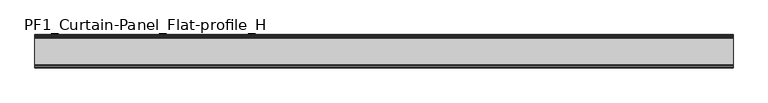
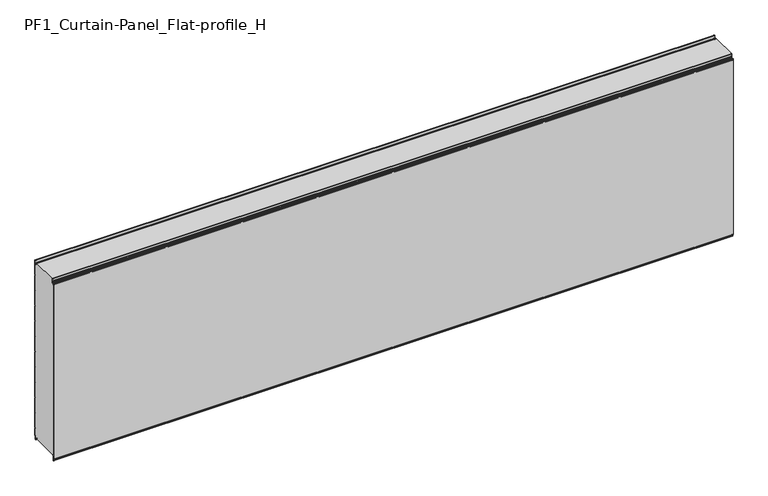
"""IFC4 building model written with IfcOpenShell, lengths in millimetres: plate geometry, PF1_Curtain-Panel_Flat-profile_H."""

from ifc_helpers import new_model, si_unit, point, frame, frame_2d, origin, place, context, project, spatial, polyline, circle_curve, trimmed, segment, composite_curve, outline, extrude, source, transform, mapped, element, save


def pf1_curtain_panel_flat_profile_h_bcc82add(model_context):
    return source(origin(), model_context, "Body", "SweptSolid", [
        extrude(outline(composite_curve([segment(polyline([(-15.878557, 0.0), (-20.0, 0.0), (-20.0, 0.8), (-15.878557, 0.8)]), True, "CONTINUOUS"), segment(trimmed(circle_curve(frame_2d((-15.878557, -2.0)), 2.8), [point((-15.878557, 0.8))], [point((-13.1503208, -1.370137))], False, "CARTESIAN"), True, "CONTINUOUS"), segment(polyline([(-13.1503208, -1.370137), (-11.728236, -7.529863)]), True, "CONTINUOUS"), segment(trimmed(circle_curve(frame_2d((-9.0, -6.9)), 2.8), [point((-11.728236, -7.529863))], [point((-6.2, -6.9))], True, "CARTESIAN"), True, "CONTINUOUS"), segment(polyline([(-6.2, -6.9), (-6.2, 8.6)]), True, "CONTINUOUS"), segment(trimmed(circle_curve(frame_2d((-3.4, 8.6)), 2.8), [point((-6.2, 8.6))], [point((-3.4, 11.4))], False, "CARTESIAN"), True, "CONTINUOUS"), segment(polyline([(-3.4, 11.4), (-2.0, 11.4)]), True, "CONTINUOUS"), segment(trimmed(circle_curve(frame_2d((-2.0, 12.6)), 1.2), [point((-2.0, 11.4))], [point((-0.8, 12.6))], True, "CARTESIAN"), True, "CONTINUOUS"), segment(polyline([(-0.8, 12.6), (-0.8, 57.6856412), (-2.482606, 60.6), (-0.8, 63.5143588), (-0.8, 157.6856412), (-2.482606, 160.6), (-0.8, 163.5143588), (-0.8, 257.6856412), (-2.482606, 260.6), (-0.8, 263.5143588), (-0.8, 357.6856412), (-2.482606, 360.6), (-0.8, 363.5143588), (-0.8, 457.6856412), (-2.482606, 460.6), (-0.8, 463.5143588), (-0.8, 557.6856412), (-2.482606, 560.6), (-0.8, 563.5143588), (-0.8, 657.6856412), (-2.482606, 660.6), (-0.8, 663.5143588), (-0.8, 757.6856412), (-2.482606, 760.6), (-0.8, 763.5143588), (-0.8, 857.6856412), (-2.482606, 860.6), (-0.8, 863.5143588), (-0.8, 957.6856412), (-2.482606, 960.6), (-0.8, 963.5143588), (-0.8, 1057.6856412), (-2.482606, 1060.6), (-0.8, 1063.5143588), (-0.8, 1158.268846)]), True, "CONTINUOUS"), segment(trimmed(circle_curve(frame_2d((-2.5, 1158.268846)), 1.7), [point((-0.8, 1158.268846))], [point((-4.2, 1158.268846))], True, "CARTESIAN"), True, "CONTINUOUS"), segment(polyline([(-4.2, 1158.268846), (-4.2, 1141.268846)]), True, "CONTINUOUS"), segment(trimmed(circle_curve(frame_2d((-9.0, 1141.268846)), 4.8), [point((-4.2, 1141.268846))], [point((-13.7270771, 1140.4353344))], False, "CARTESIAN"), True, "CONTINUOUS"), segment(polyline([(-13.7270771, 1140.4353344), (-14.8636953, 1146.8814129)]), True, "CONTINUOUS"), segment(trimmed(circle_curve(frame_2d((-16.6363492, 1146.568846)), 1.8), [point((-14.8636953, 1146.8814129))], [point((-16.6363492, 1148.368846))], True, "CARTESIAN"), True, "CONTINUOUS"), segment(polyline([(-16.6363492, 1148.368846), (-20.0, 1148.368846), (-20.0, 1149.168846), (-16.6363492, 1149.168846)]), True, "CONTINUOUS"), segment(trimmed(circle_curve(frame_2d((-16.6363492, 1146.568846)), 2.6), [point((-16.6363492, 1149.168846))], [point((-14.0758491, 1147.0203315))], False, "CARTESIAN"), True, "CONTINUOUS"), segment(polyline([(-14.0758491, 1147.0203315), (-12.939231, 1140.574253)]), True, "CONTINUOUS"), segment(trimmed(circle_curve(frame_2d((-9.0, 1141.268846)), 4.0), [point((-12.939231, 1140.574253))], [point((-5.0, 1141.268846))], True, "CARTESIAN"), True, "CONTINUOUS"), segment(polyline([(-5.0, 1141.268846), (-5.0, 1158.268846)]), True, "CONTINUOUS"), segment(trimmed(circle_curve(frame_2d((-2.5, 1158.268846)), 2.5), [point((-5.0, 1158.268846))], [point((0.0, 1158.268846))], False, "CARTESIAN"), True, "CONTINUOUS"), segment(polyline([(0.0, 1158.268846), (0.0, 1063.2999995), (-1.5588455, 1060.6), (0.0, 1057.9000005), (0.0, 963.2999995), (-1.5588455, 960.6), (0.0, 957.9000005), (0.0, 863.2999995), (-1.5588455, 860.6), (0.0, 857.9000005), (0.0, 763.2999995), (-1.5588455, 760.6), (0.0, 757.9000005), (0.0, 663.2999995), (-1.5588455, 660.6), (0.0, 657.9000005), (0.0, 563.2999995), (-1.5588455, 560.6), (0.0, 557.9000005), (0.0, 463.2999995), (-1.5588455, 460.6), (0.0, 457.9000005), (0.0, 363.2999995), (-1.5588455, 360.6), (0.0, 357.9000005), (0.0, 263.2999995), (-1.5588455, 260.6), (0.0, 257.9000005), (0.0, 163.2999995), (-1.5588455, 160.6), (0.0, 157.9000005), (0.0, 63.2999995), (-1.5588455, 60.6), (0.0, 57.9000005), (0.0, 12.6)]), True, "CONTINUOUS"), segment(trimmed(circle_curve(frame_2d((-2.0, 12.6)), 2.0), [point((0.0, 12.6))], [point((-2.0, 10.6))], False, "CARTESIAN"), True, "CONTINUOUS"), segment(polyline([(-2.0, 10.6), (-3.4, 10.6)]), True, "CONTINUOUS"), segment(trimmed(circle_curve(frame_2d((-3.4, 8.6)), 2.0), [point((-3.4, 10.6))], [point((-5.4, 8.6))], True, "CARTESIAN"), True, "CONTINUOUS"), segment(polyline([(-5.4, 8.6), (-5.4, -6.9)]), True, "CONTINUOUS"), segment(trimmed(circle_curve(frame_2d((-9.0, -6.9)), 3.6), [point((-5.4, -6.9))], [point((-12.5077322, -7.7098239))], False, "CARTESIAN"), True, "CONTINUOUS"), segment(polyline([(-12.5077322, -7.7098239), (-13.929817, -1.5500979)]), True, "CONTINUOUS"), segment(trimmed(circle_curve(frame_2d((-15.878557, -2.0)), 2.0), [point((-13.929817, -1.5500979))], [point((-15.878557, 0.0))], True, "CARTESIAN"), True, "CONTINUOUS")], self_intersect=False)), frame((-2100.0, 0.0, 0.0), z_axis=(1.0, 0.0, 0.0), x_axis=(0.0, 1.0, 0.0)), (0.0, 0.0, 1.0), 4200.0),
        extrude(outline(composite_curve([segment(polyline([(-190.0, 0.0), (-193.5, 0.0)]), True, "CONTINUOUS"), segment(trimmed(circle_curve(frame_2d((-193.5, -2.0)), 2.0), [point((-193.5, 0.0))], [point((-195.5, -2.0))], True, "CARTESIAN"), True, "CONTINUOUS"), segment(polyline([(-195.5, -2.0), (-195.5, -33.0)]), True, "CONTINUOUS"), segment(trimmed(circle_curve(frame_2d((-196.5, -33.0)), 1.0), [point((-195.5, -33.0))], [point((-197.5, -33.0))], False, "CARTESIAN"), True, "CONTINUOUS"), segment(polyline([(-197.5, -33.0), (-197.5, -26.9)]), True, "CONTINUOUS"), segment(trimmed(circle_curve(frame_2d((-198.4, -26.9)), 0.9), [point((-197.5, -26.9))], [point((-198.4, -26.0))], True, "CARTESIAN"), True, "CONTINUOUS"), segment(trimmed(circle_curve(frame_2d((-198.4, -24.4)), 1.6), [point((-198.4, -26.0))], [point((-200.0, -24.4))], False, "CARTESIAN"), True, "CONTINUOUS"), segment(polyline([(-200.0, -24.4), (-200.0, 1123.168846)]), True, "CONTINUOUS"), segment(trimmed(circle_curve(frame_2d((-199.0, 1123.168846)), 1.0), [point((-200.0, 1123.168846))], [point((-198.0, 1123.168846))], False, "CARTESIAN"), True, "CONTINUOUS"), segment(polyline([(-198.0, 1123.168846), (-198.0, 1117.168846)]), True, "CONTINUOUS"), segment(trimmed(circle_curve(frame_2d((-196.5, 1117.168846)), 1.5), [point((-198.0, 1117.168846))], [point((-195.0, 1117.168846))], True, "CARTESIAN"), True, "CONTINUOUS"), segment(polyline([(-195.0, 1117.168846), (-195.0, 1117.9964664)]), True, "CONTINUOUS"), segment(trimmed(circle_curve(frame_2d((-188.8276204, 1117.9964664)), 6.1723796), [point((-195.0, 1117.9964664))], [point((-188.8276204, 1124.168846))], False, "CARTESIAN"), True, "CONTINUOUS"), segment(polyline([(-188.8276204, 1124.168846), (-188.0, 1124.168846)]), True, "CONTINUOUS"), segment(trimmed(circle_curve(frame_2d((-188.0, 1125.168846)), 1.0), [point((-188.0, 1124.168846))], [point((-187.0, 1125.168846))], True, "CARTESIAN"), True, "CONTINUOUS"), segment(polyline([(-187.0, 1125.168846), (-187.0, 1131.6688472), (-185.4999999, 1133.168846), (-187.0, 1134.6688448), (-187.0, 1146.568846)]), True, "CONTINUOUS"), segment(trimmed(circle_curve(frame_2d((-184.4, 1146.568846)), 2.6), [point((-187.0, 1146.568846))], [point((-184.4, 1149.168846))], False, "CARTESIAN"), True, "CONTINUOUS"), segment(polyline([(-184.4, 1149.168846), (-183.0, 1149.168846), (-183.0, 1148.368846), (-184.4, 1148.368846)]), True, "CONTINUOUS"), segment(trimmed(circle_curve(frame_2d((-184.4, 1146.568846)), 1.8), [point((-184.4, 1148.368846))], [point((-186.2, 1146.568846))], True, "CARTESIAN"), True, "CONTINUOUS"), segment(polyline([(-186.2, 1146.568846), (-186.2, 1135.0002158), (-184.3686285, 1133.168846), (-186.2, 1131.3374762), (-186.2, 1125.168846)]), True, "CONTINUOUS"), segment(trimmed(circle_curve(frame_2d((-188.0, 1125.168846)), 1.8), [point((-186.2, 1125.168846))], [point((-188.0, 1123.368846))], False, "CARTESIAN"), True, "CONTINUOUS"), segment(polyline([(-188.0, 1123.368846), (-188.8276204, 1123.368846)]), True, "CONTINUOUS"), segment(trimmed(circle_curve(frame_2d((-188.8276204, 1117.9964664)), 5.3723796), [point((-188.8276204, 1123.368846))], [point((-194.2, 1117.9964664))], True, "CARTESIAN"), True, "CONTINUOUS"), segment(polyline([(-194.2, 1117.9964664), (-194.2, 1117.168846)]), True, "CONTINUOUS"), segment(trimmed(circle_curve(frame_2d((-196.4, 1117.168846)), 2.2), [point((-194.2, 1117.168846))], [point((-198.6, 1117.168846))], False, "CARTESIAN"), True, "CONTINUOUS"), segment(polyline([(-198.6, 1117.168846), (-198.6, 1123.0579973)]), True, "CONTINUOUS"), segment(trimmed(circle_curve(frame_2d((-198.9, 1123.0579973)), 0.3), [point((-198.6, 1123.0579973))], [point((-199.2, 1123.0579973))], True, "CARTESIAN"), True, "CONTINUOUS"), segment(polyline([(-199.2, 1123.0579973), (-199.2, -24.4)]), True, "CONTINUOUS"), segment(trimmed(circle_curve(frame_2d((-198.4, -24.4)), 0.8), [point((-199.2, -24.4))], [point((-198.4, -25.2))], True, "CARTESIAN"), True, "CONTINUOUS"), segment(trimmed(circle_curve(frame_2d((-198.6133333, -26.9)), 1.7133333), [point((-198.4, -25.2))], [point((-196.9, -26.9))], False, "CARTESIAN"), True, "CONTINUOUS"), segment(polyline([(-196.9, -26.9), (-196.9, -32.8700312)]), True, "CONTINUOUS"), segment(trimmed(circle_curve(frame_2d((-196.6, -32.8700312)), 0.3), [point((-196.9, -32.8700312))], [point((-196.3, -32.8700312))], True, "CARTESIAN"), True, "CONTINUOUS"), segment(polyline([(-196.3, -32.8700312), (-196.3, -2.0)]), True, "CONTINUOUS"), segment(trimmed(circle_curve(frame_2d((-193.5, -2.0)), 2.8), [point((-196.3, -2.0))], [point((-193.5, 0.8))], False, "CARTESIAN"), True, "CONTINUOUS"), segment(polyline([(-193.5, 0.8), (-190.0, 0.8), (-190.0, 0.0)]), True, "CONTINUOUS")], self_intersect=False)), frame((-2100.0, 0.0, 0.0), z_axis=(1.0, 0.0, 0.0), x_axis=(0.0, 1.0, 0.0)), (0.0, 0.0, 1.0), 4200.0),
        extrude(outline(composite_curve([segment(polyline([(-190.0, 0.8), (-193.5, 0.8)]), True, "CONTINUOUS"), segment(trimmed(circle_curve(frame_2d((-193.5, -2.0)), 2.8), [point((-193.5, 0.8))], [point((-196.3, -2.0))], True, "CARTESIAN"), True, "CONTINUOUS"), segment(polyline([(-196.3, -2.0), (-196.3, -32.8700312)]), True, "CONTINUOUS"), segment(trimmed(circle_curve(frame_2d((-196.6, -32.8700312)), 0.3), [point((-196.3, -32.8700312))], [point((-196.9, -32.8700312))], False, "CARTESIAN"), True, "CONTINUOUS"), segment(polyline([(-196.9, -32.8700312), (-196.9, -26.9)]), True, "CONTINUOUS"), segment(trimmed(circle_curve(frame_2d((-198.6133333, -26.9)), 1.7133333), [point((-196.9, -26.9))], [point((-198.4, -25.2))], True, "CARTESIAN"), True, "CONTINUOUS"), segment(trimmed(circle_curve(frame_2d((-198.4, -24.4)), 0.8), [point((-198.4, -25.2))], [point((-199.2, -24.4))], False, "CARTESIAN"), True, "CONTINUOUS"), segment(polyline([(-199.2, -24.4), (-199.2, 1123.0579973)]), True, "CONTINUOUS"), segment(trimmed(circle_curve(frame_2d((-198.9, 1123.0579973)), 0.3), [point((-199.2, 1123.0579973))], [point((-198.6, 1123.0579973))], False, "CARTESIAN"), True, "CONTINUOUS"), segment(polyline([(-198.6, 1123.0579973), (-198.6, 1117.168846)]), True, "CONTINUOUS"), segment(trimmed(circle_curve(frame_2d((-196.4, 1117.168846)), 2.2), [point((-198.6, 1117.168846))], [point((-194.2, 1117.168846))], True, "CARTESIAN"), True, "CONTINUOUS"), segment(polyline([(-194.2, 1117.168846), (-194.2, 1117.9964664)]), True, "CONTINUOUS"), segment(trimmed(circle_curve(frame_2d((-188.8276204, 1117.9964664)), 5.3723796), [point((-194.2, 1117.9964664))], [point((-188.8276204, 1123.368846))], False, "CARTESIAN"), True, "CONTINUOUS"), segment(polyline([(-188.8276204, 1123.368846), (-188.0, 1123.368846)]), True, "CONTINUOUS"), segment(trimmed(circle_curve(frame_2d((-188.0, 1125.168846)), 1.8), [point((-188.0, 1123.368846))], [point((-186.2, 1125.168846))], True, "CARTESIAN"), True, "CONTINUOUS"), segment(polyline([(-186.2, 1125.168846), (-186.2, 1131.3374762), (-184.3686285, 1133.168846), (-186.2, 1135.0002158), (-186.2, 1146.568846)]), True, "CONTINUOUS"), segment(trimmed(circle_curve(frame_2d((-184.4, 1146.568846)), 1.8), [point((-186.2, 1146.568846))], [point((-184.4, 1148.368846))], False, "CARTESIAN"), True, "CONTINUOUS"), segment(polyline([(-184.4, 1148.368846), (-183.0, 1148.368846), (-183.0, 1149.168846), (-20.0, 1149.168846), (-20.0, 1148.368846), (-16.6363492, 1148.368846)]), True, "CONTINUOUS"), segment(trimmed(circle_curve(frame_2d((-16.6363492, 1146.568846)), 1.8), [point((-16.6363492, 1148.368846))], [point((-14.8636953, 1146.8814129))], False, "CARTESIAN"), True, "CONTINUOUS"), segment(polyline([(-14.8636953, 1146.8814129), (-13.7270772, 1140.4353344)]), True, "CONTINUOUS"), segment(trimmed(circle_curve(frame_2d((-9.0, 1141.268846)), 4.8), [point((-13.7270772, 1140.4353344))], [point((-4.2, 1141.268846))], True, "CARTESIAN"), True, "CONTINUOUS"), segment(polyline([(-4.2, 1141.268846), (-4.2, 1158.268846)]), True, "CONTINUOUS"), segment(trimmed(circle_curve(frame_2d((-2.5, 1158.268846)), 1.7), [point((-4.2, 1158.268846))], [point((-0.8, 1158.268846))], False, "CARTESIAN"), True, "CONTINUOUS"), segment(polyline([(-0.8, 1158.268846), (-0.8, 1063.5143588), (-2.482606, 1060.6), (-0.8, 1057.6856412), (-0.8, 963.5143588), (-2.482606, 960.6), (-0.8, 957.6856412), (-0.8, 863.5143588), (-2.482606, 860.6), (-0.8, 857.6856412), (-0.8, 763.5143588), (-2.482606, 760.6), (-0.8, 757.6856412), (-0.8, 663.5143588), (-2.482606, 660.6), (-0.8, 657.6856412), (-0.8, 563.5143588), (-2.482606, 560.6), (-0.8, 557.6856412), (-0.8, 463.5143588), (-2.482606, 460.6), (-0.8, 457.6856412), (-0.8, 363.5143588), (-2.482606, 360.6), (-0.8, 357.6856412), (-0.8, 263.5143588), (-2.482606, 260.6), (-0.8, 257.6856412), (-0.8, 163.5143588), (-2.482606, 160.6), (-0.8, 157.6856412), (-0.8, 63.5143588), (-2.482606, 60.6), (-0.8, 57.6856412), (-0.8, 12.6)]), True, "CONTINUOUS"), segment(trimmed(circle_curve(frame_2d((-2.0, 12.6)), 1.2), [point((-0.8, 12.6))], [point((-2.0, 11.4))], False, "CARTESIAN"), True, "CONTINUOUS"), segment(polyline([(-2.0, 11.4), (-3.4, 11.4)]), True, "CONTINUOUS"), segment(trimmed(circle_curve(frame_2d((-3.4, 8.6)), 2.8), [point((-3.4, 11.4))], [point((-6.2, 8.6))], True, "CARTESIAN"), True, "CONTINUOUS"), segment(polyline([(-6.2, 8.6), (-6.2, -6.9)]), True, "CONTINUOUS"), segment(trimmed(circle_curve(frame_2d((-9.0, -6.9)), 2.8), [point((-6.2, -6.9))], [point((-11.7282362, -7.529863))], False, "CARTESIAN"), True, "CONTINUOUS"), segment(polyline([(-11.7282362, -7.529863), (-13.1503208, -1.370137)]), True, "CONTINUOUS"), segment(trimmed(circle_curve(frame_2d((-15.878557, -2.0)), 2.8), [point((-13.1503208, -1.370137))], [point((-15.878557, 0.8))], True, "CARTESIAN"), True, "CONTINUOUS"), segment(polyline([(-15.878557, 0.8), (-20.0, 0.8), (-20.0, 0.0), (-190.0, 0.0), (-190.0, 0.8)]), True, "CONTINUOUS")], self_intersect=False)), frame((-2100.0, 0.0, 0.0), z_axis=(1.0, 0.0, 0.0), x_axis=(0.0, 1.0, 0.0)), (0.0, 0.0, 1.0), 4200.0),
    ])


if __name__ == "__main__":
    model = new_model("IFC4")
    model_context = context("Model", 3, world=origin())
    ifc_project = project(units=[si_unit("LENGTHUNIT", "METRE", prefix="MILLI")], contexts=[model_context])
    site = spatial("IfcSite", under=ifc_project)
    building = spatial("IfcBuilding", under=site)
    placement = place(None, origin())
    pf1_curtain_panel_flat_profile_h_shape = pf1_curtain_panel_flat_profile_h_bcc82add(model_context)
    element("IfcPlate", 1, ObjectType="PF1_Curtain-Panel_Flat-profile_H", at=placement, inside=building, context=model_context, shape_type="MappedRepresentation", body=[
        mapped(pf1_curtain_panel_flat_profile_h_shape, transform((0.0, 0.0, 0.0), x_axis=(1.0, 0.0, 0.0), y_axis=(0.0, 1.0, 0.0), z_axis=(0.0, 0.0, 1.0))),
    ])
    save(model, "model.ifc")
